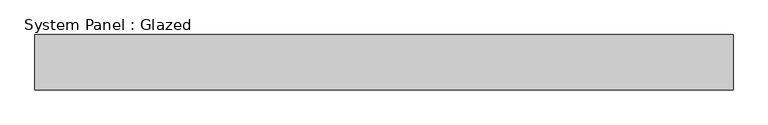
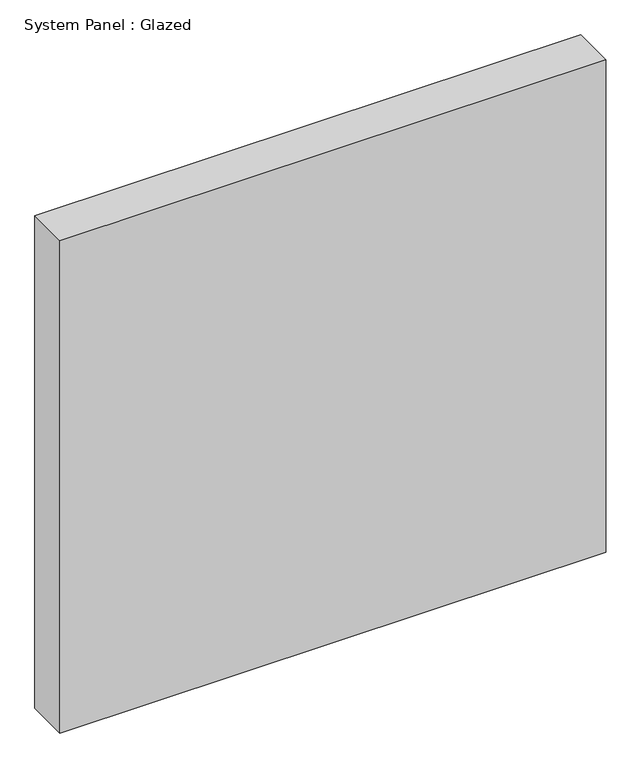
"""IFC4 building model written with IfcOpenShell, lengths in millimetres: plate geometry, System Panel : Glazed."""

from ifc_helpers import new_model, si_unit, origin, origin_with_axes, place, context, project, spatial, polyline, outline, extrude, source, transform, mapped, element, save


def system_panel_glazed_c2102f59(model_context):
    return source(origin(), model_context, "Body", "SweptSolid", [
        extrude(outline(polyline([(629.1666667, 50.0), (-629.1666667, 50.0), (-629.1666667, 150.0), (629.1666667, 150.0), (629.1666667, 50.0)])), origin_with_axes(), (0.0, 0.0, 1.0), 1200.0),
    ])


if __name__ == "__main__":
    model = new_model("IFC4")
    model_context = context("Model", 3, world=origin())
    ifc_project = project(units=[si_unit("LENGTHUNIT", "METRE", prefix="MILLI")], contexts=[model_context])
    site = spatial("IfcSite", under=ifc_project)
    building = spatial("IfcBuilding", under=site)
    placement = place(None, origin())
    system_panel_glazed_shape = system_panel_glazed_c2102f59(model_context)
    element("IfcPlate", 1, ObjectType="System Panel : Glazed", at=placement, inside=building, context=model_context, shape_type="MappedRepresentation", body=[
        mapped(system_panel_glazed_shape, transform((0.0, 0.0, 0.0), x_axis=(1.0, 0.0, 0.0), y_axis=(0.0, 1.0, 0.0), z_axis=(0.0, 0.0, 1.0))),
    ])
    save(model, "model.ifc")
